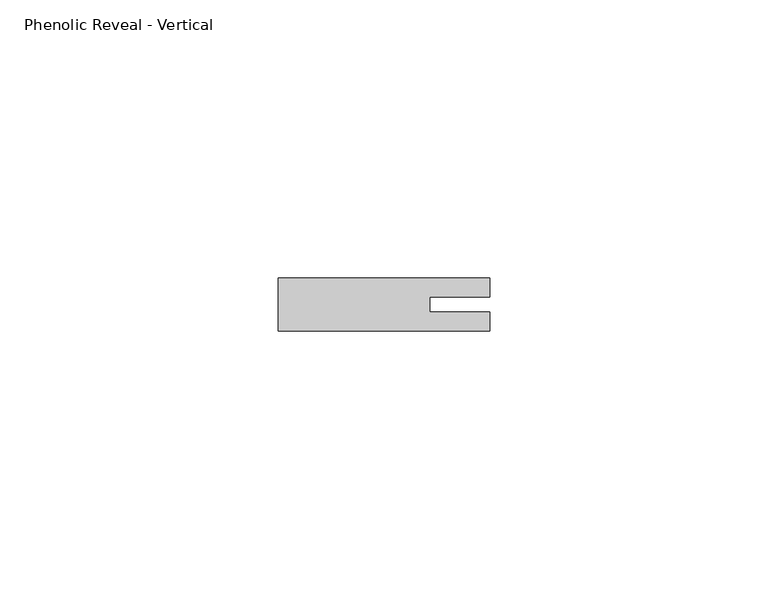
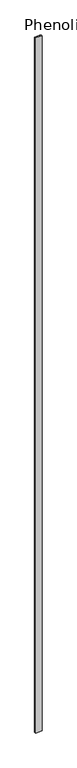
"""IFC4 building model written with IfcOpenShell, lengths in millimetres: proxy geometry, Phenolic Reveal - Vertical."""

import ifcopenshell
import ifcopenshell.guid

model = None  # the IFC model being written
_history = None  # IfcOwnerHistory: only IFC2X3 demands one
_inside = {}  # id of a spatial element -> (the spatial element, [elements in it])
_under = {}  # id of a project, library or spatial element -> (it, [spatial elements below it])
_declared = {}  # id of a project -> (the project, [libraries it declares])
_typed = {}  # id of a type object -> (the type object, [elements of that type])
_made_of = {}  # id of a material, layer set ... -> (it, [elements and type objects made of it])


def new_model(schema):
    """Start an empty IFC model of exactly this schema.

    Asked for "IFC4X3", IfcOpenShell would pick the latest addendum, in which some entities
    have other attributes; the version numbers below select the first issue.
    IFC2X3 requires an IfcOwnerHistory on every rooted entity: one is made here for all.
    """
    global model, _history
    if schema == "IFC4X3":
        model = ifcopenshell.file(schema_version=(4, 3, 0, 0))
    else:
        model = ifcopenshell.file(schema=schema)
    _inside.clear()
    _under.clear()
    _declared.clear()
    _typed.clear()
    _made_of.clear()
    _history = None
    if model.schema == "IFC2X3":
        org = make("IfcOrganization", Name="unknown")
        user = make(
            "IfcPersonAndOrganization",
            ThePerson=make("IfcPerson", FamilyName="unknown"),
            TheOrganization=org,
        )
        app = make(
            "IfcApplication",
            ApplicationDeveloper=org,
            Version="unknown",
            ApplicationFullName="unknown",
            ApplicationIdentifier="unknown",
        )
        _history = make(
            "IfcOwnerHistory",
            OwningUser=user,
            OwningApplication=app,
            ChangeAction="ADDED",
            CreationDate=0,
        )
    return model


def make(cls, **values):
    """One entity of the class cls with the attributes given. An attribute that is None is left unset."""
    return model.create_entity(
        cls, **{name: value for name, value in values.items() if value is not None}
    )


def rooted(cls, **values):
    """An entity with a GlobalId (a new one), such as an element, a storey or a relation."""
    return make(cls, GlobalId=ifcopenshell.guid.new(), OwnerHistory=_history, **values)


def si_unit(unit_type, name, prefix=None):
    """IfcSIUnit, for example si_unit("LENGTHUNIT", "METRE", prefix="MILLI")."""
    return make("IfcSIUnit", UnitType=unit_type, Prefix=prefix, Name=name)


def assignment(units):
    """IfcUnitAssignment: the units of a project."""
    return None if units is None else make("IfcUnitAssignment", Units=units)


def point(xyz):
    """IfcCartesianPoint."""
    return None if xyz is None else make("IfcCartesianPoint", Coordinates=xyz)


def direction(xyz):
    """IfcDirection."""
    return None if xyz is None else make("IfcDirection", DirectionRatios=xyz)


def frame(location, z_axis=None, x_axis=None):
    """IfcAxis2Placement3D, a coordinate frame: its origin and axes. An axis left out is left unset."""
    return make(
        "IfcAxis2Placement3D",
        Location=point(location),
        Axis=direction(z_axis),
        RefDirection=direction(x_axis),
    )


def origin():
    """The frame at (0, 0, 0) with its axes left unset."""
    return frame((0.0, 0.0, 0.0))


def origin_with_axes():
    """The frame at (0, 0, 0) with the z axis (0, 0, 1) and the x axis (1, 0, 0) written out."""
    return frame((0.0, 0.0, 0.0), z_axis=(0.0, 0.0, 1.0), x_axis=(1.0, 0.0, 0.0))


def place(relative_to, where):
    """IfcLocalPlacement: puts the frame where relative to a parent placement (None: the world)."""
    return make(
        "IfcLocalPlacement", PlacementRelTo=relative_to, RelativePlacement=where
    )


def context(
    kind, dimensions, precision=None, world=None, true_north=None, identifier=None
):
    """IfcGeometricRepresentationContext, for example the 3D "Model" context."""
    return make(
        "IfcGeometricRepresentationContext",
        ContextIdentifier=identifier,
        ContextType=kind,
        CoordinateSpaceDimension=dimensions,
        Precision=precision,
        WorldCoordinateSystem=world,
        TrueNorth=true_north,
    )


def project(units=None, contexts=None):
    """IfcProject with its units and contexts."""
    return rooted(
        "IfcProject",
        Name="project",
        RepresentationContexts=contexts,
        UnitsInContext=assignment(units),
    )


def spatial(cls, under=None, at=None, **own):
    """A site, building, storey or space (cls), placed at a placement, below another one or the project."""
    s = rooted(cls, ObjectPlacement=at, **own)
    if under is not None:
        _under.setdefault(under.id(), (under, []))[1].append(s)
    return s


def polyline(points):
    """IfcPolyline through the points."""
    return make("IfcPolyline", Points=[point(p) for p in points])


def outline(outer, holes=None, kind="AREA"):
    """IfcArbitraryClosedProfileDef: a profile drawn as a closed curve; with holes, ...WithVoids."""
    if holes is None:
        return make("IfcArbitraryClosedProfileDef", ProfileType=kind, OuterCurve=outer)
    return make(
        "IfcArbitraryProfileDefWithVoids",
        ProfileType=kind,
        OuterCurve=outer,
        InnerCurves=holes,
    )


def extrude(swept, where, along, depth):
    """IfcExtrudedAreaSolid: the profile swept, set in the frame where, extruded along a direction by depth."""
    return make(
        "IfcExtrudedAreaSolid",
        SweptArea=swept,
        Position=where,
        ExtrudedDirection=direction(along),
        Depth=depth,
    )


def shape(context_of_items, identifier, shape_type, items):
    """IfcShapeRepresentation: the items that make up one representation, for example the "Body"."""
    return make(
        "IfcShapeRepresentation",
        ContextOfItems=context_of_items,
        RepresentationIdentifier=identifier,
        RepresentationType=shape_type,
        Items=items,
    )


def source(mapping_origin, context_of_items, identifier, shape_type, items):
    """IfcRepresentationMap: a shape defined once, which mapped items show again and again."""
    return make(
        "IfcRepresentationMap",
        MappingOrigin=mapping_origin,
        MappedRepresentation=shape(context_of_items, identifier, shape_type, items),
    )


def transform(
    local_origin,
    x_axis=None,
    y_axis=None,
    z_axis=None,
    scale=None,
    scale2=None,
    scale3=None,
    uniform=True,
):
    """IfcCartesianTransformationOperator3D, or its non-uniform kind. x_axis, y_axis, z_axis: its Axis1, 2, 3."""
    if uniform:
        return make(
            "IfcCartesianTransformationOperator3D",
            Axis1=direction(x_axis),
            Axis2=direction(y_axis),
            LocalOrigin=point(local_origin),
            Scale=scale,
            Axis3=direction(z_axis),
        )
    return make(
        "IfcCartesianTransformationOperator3DnonUniform",
        Axis1=direction(x_axis),
        Axis2=direction(y_axis),
        LocalOrigin=point(local_origin),
        Scale=scale,
        Axis3=direction(z_axis),
        Scale2=scale2,
        Scale3=scale3,
    )


def mapped(mapping_source, mapping_target):
    """IfcMappedItem: shows the shape of a source again, moved by a transform."""
    return make(
        "IfcMappedItem", MappingSource=mapping_source, MappingTarget=mapping_target
    )


def made_of(thing, what):
    """Note that an element or type object is made of a material, layer set ...; save() writes the relation."""
    if what is not None:
        _made_of.setdefault(what.id(), (what, []))[1].append(thing)
    return thing


def element(
    cls,
    number,
    at=None,
    inside=None,
    cuts=None,
    type_object=None,
    material=None,
    context=None,
    identifier="Body",
    shape_type=None,
    held_by="IfcProductDefinitionShape",
    body=None,
    shapes=None,
    **own,
):
    """One element of the class cls, such as IfcWall. Its Tag is "e" and its number.

    at: its placement. inside: the storey or other place that contains it. cuts: it is an
    opening in that element (IfcRelVoidsElement). A single representation is given by context,
    identifier, shape_type and body (its items); several are given by shapes. held_by: the class
    of the entity that holds the representations. save() writes the other relations.
    """
    e = rooted(cls, Tag="e%d" % number, ObjectPlacement=at, **own)
    if body is not None:
        shapes = [shape(context, identifier, shape_type, body)]
    if shapes is not None:
        e.Representation = make(held_by, Representations=shapes)
    if inside is not None:
        _inside.setdefault(inside.id(), (inside, []))[1].append(e)
    if cuts is not None:
        rooted(
            "IfcRelVoidsElement", RelatingBuildingElement=cuts, RelatedOpeningElement=e
        )
    if type_object is not None:
        _typed.setdefault(type_object.id(), (type_object, []))[1].append(e)
    return made_of(e, material)


def aggregate(whole, parts):
    """IfcRelAggregates: a whole, such as a stair, and the parts it consists of."""
    return rooted("IfcRelAggregates", RelatingObject=whole, RelatedObjects=parts)


def save(model, path):
    """Write the relations noted so far, then the file.

    IfcRelAggregates (storeys below a building ...), IfcRelContainedInSpatialStructure (elements
    in a storey), IfcRelDefinesByType, IfcRelAssociatesMaterial and IfcRelDeclares: one each for
    every whole, place, type object, material and project.
    """
    for whole, parts in _under.values():
        aggregate(whole, parts)
    for where, things in _inside.values():
        rooted(
            "IfcRelContainedInSpatialStructure",
            RelatedElements=things,
            RelatingStructure=where,
        )
    for kind, things in _typed.values():
        rooted("IfcRelDefinesByType", RelatedObjects=things, RelatingType=kind)
    for what, things in _made_of.values():
        rooted("IfcRelAssociatesMaterial", RelatedObjects=things, RelatingMaterial=what)
    for by, libraries in _declared.values():
        rooted("IfcRelDeclares", RelatingContext=by, RelatedDefinitions=libraries)
    model.write(path)


def phenolic_reveal_vertical_c21803a2(model_context):
    return source(origin(), model_context, "Body", "SweptSolid", [
        extrude(outline(polyline([(38.1, 9.525), (38.1, 6.0765851), (27.2591015, 6.0765851), (27.2591015, 3.3757545), (38.1, 3.3757545), (38.1, 0.0), (0.0, 0.0), (0.0, 9.525), (38.1, 9.525)])), origin_with_axes(), (0.0, 0.0, 1.0), 4314.825),
    ])


if __name__ == "__main__":
    model = new_model("IFC4")
    model_context = context("Model", 3, world=origin())
    ifc_project = project(units=[si_unit("LENGTHUNIT", "METRE", prefix="MILLI")], contexts=[model_context])
    site = spatial("IfcSite", under=ifc_project)
    building = spatial("IfcBuilding", under=site)
    placement = place(None, origin())
    phenolic_reveal_vertical_shape = phenolic_reveal_vertical_c21803a2(model_context)
    element("IfcBuildingElementProxy", 1, Name="Phenolic Reveal - Vertical", ObjectType="Phenolic Reveal - Vertical", at=placement, inside=building, context=model_context, shape_type="MappedRepresentation", body=[
        mapped(phenolic_reveal_vertical_shape, transform((0.0, 0.0, 0.0), x_axis=(1.0, 0.0, 0.0), y_axis=(0.0, 1.0, 0.0), z_axis=(0.0, 0.0, 1.0))),
    ])
    save(model, "model.ifc")
